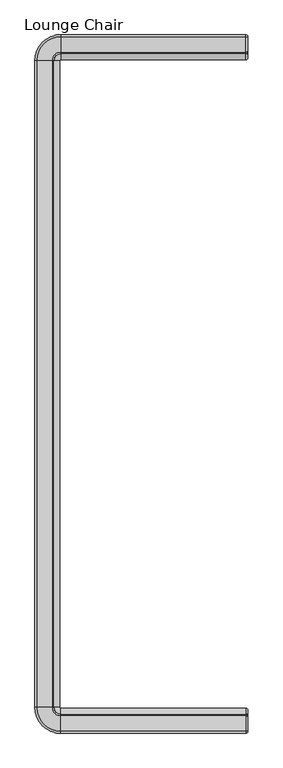
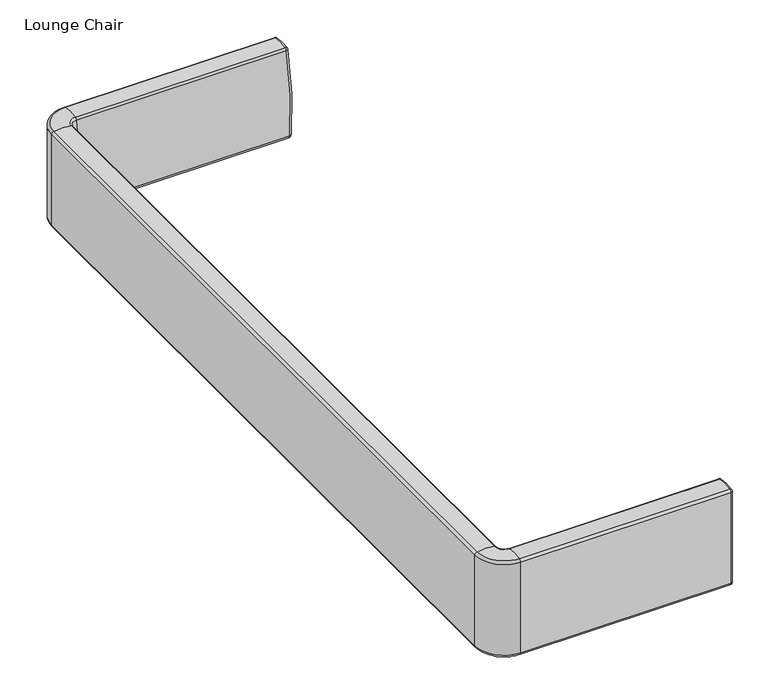
"""IFC4 building model written with IfcOpenShell, lengths in millimetres: furniture geometry, Lounge Chair."""

from ifc_helpers import new_model, si_unit, point, frame, origin, place, context, project, spatial, polyline, circle_curve, ellipse_curve, trimmed, source, transform, mapped, element, save
from ifc_brep_helpers import plane_surface, cylinder_surface, revolved_surface, advanced_brep


def lounge_chair_dd8477ff(model_context):
    return source(origin(), model_context, "Body", "AdvancedBrep", [
        advanced_brep(
        [(382.9050121, 1114.5232118, 679.4101744), (382.9050121, 1068.0842542, 679.4255901), (382.9050121, 1067.0973097, 678.4771601), (382.9050121, 1051.0062039, 435.9247564), (382.9050121, 1055.0515474, 429.151888), (382.9050121, 1079.435139, 420.1629446), (382.9050121, 1113.4735492, 405.9471174), (382.9050121, 1115.5445841, 406.9326341), (382.9050121, 1115.5445841, 678.1647491), (376.5550121, 1121.8945841, 678.1647491), (376.5550121, 1115.7663503, 685.6373011), (376.5550121, 1121.8945841, 406.9326341), (376.5550121, 1109.4683748, 401.019534), (376.5550121, 1078.7459989, 413.8504501), (376.5550121, 1051.4784521, 423.9025557), (376.5550121, 1044.6903074, 435.2675266), (376.5550121, 1060.9235834, 679.9629608), (376.5550121, 1066.8452503, 685.6535408), (376.5550121, -1060.9235834, 679.9629608), (376.5550121, -1044.6903074, 435.2675266), (-219.0746083, -1044.6903074, 435.2675266), (-219.0746083, -1060.9235834, 679.9629608), (376.5550121, -1051.4784521, 423.9025557), (376.5550121, -1078.7459989, 413.8504501), (-219.0746083, -1078.7459989, 413.8504501), (-219.0746083, -1051.4784521, 423.9025557), (376.5550121, -1121.8945841, 406.9326435), (376.5550121, -1121.8945841, 678.1647491), (-219.0746083, -1121.8945841, 678.1647491), (-219.0746083, -1121.8945841, 406.9326341), (-224.4203559, -1039.3445599, 435.2675266), (-240.6536319, -1039.3445599, 679.9629608), (-258.4760474, -1039.3445599, 413.8504501), (-231.2085006, -1039.3445599, 423.9025557), (-301.6246325, -1039.3445599, 678.1647491), (-301.6246325, -1039.3445599, 406.9326341), (-224.4203559, 1039.3445599, 435.2675266), (-240.6536319, 1039.3445599, 679.9629608), (-258.4760474, 1039.3445599, 413.8504501), (-231.2085006, 1039.3445599, 423.9025557), (-301.6246325, 1039.3445599, 678.1647491), (-301.6246325, 1039.3445599, 406.9326341), (-219.0746083, 1044.6903074, 435.2675266), (-219.0746083, 1060.9235834, 679.9629608), (-219.0746083, 1078.7459989, 413.8504501), (-219.0746083, 1051.4784521, 423.9025557), (-219.0746083, 1121.8945841, 678.1647491), (-219.0746083, 1121.8945841, 406.9326341), (376.5550121, -1109.4683748, 401.019534), (-219.0746083, -1109.4683748, 401.019534), (-289.1984232, -1039.3445599, 401.019534), (-289.1984232, 1039.3445599, 401.019534), (-219.0746083, 1109.4683748, 401.019534), (376.5550121, -1115.7663503, 685.6373011), (-219.0746083, -1115.7663503, 685.6373011), (376.5550121, -1066.8452503, 685.6535408), (-219.0746083, -1066.8452503, 685.6535408), (-295.4963987, -1039.3445599, 685.6373011), (-246.5752987, -1039.3445599, 685.6535408), (-295.4963987, 1039.3445599, 685.6373011), (-246.5752987, 1039.3445599, 685.6535408), (-219.0746083, 1115.7663503, 685.6373011), (-219.0746083, 1066.8452503, 685.6535408), (382.9050121, -1068.0842542, 679.4255901), (382.9050121, -1067.0973097, 678.4771601), (382.9050121, -1051.0062039, 435.9247564), (382.9050121, -1055.0515474, 429.151888), (382.9050121, -1079.435139, 420.1629446), (382.9050121, -1113.4735492, 405.9471174), (382.9050121, -1115.5445841, 406.9326341), (382.9050121, -1115.5445841, 678.1647491), (382.9050121, -1114.5232118, 679.4101744)],
        [
            (0, 1, circle_curve(frame((382.9050121, 1091.265056, 562.9054704), z_axis=(1.0, 0.0, 0.0), x_axis=(0.0, -0.1951187333087927, 0.9807796286179542)), 118.8035684)),
            (1, 2, circle_curve(frame((382.9050121, 1068.332055, 678.18), z_axis=(1.0, 0.0, 0.0), x_axis=(0.0, -0.9722403629031896, 0.23398435148931254)), 1.27)),
            (2, 3, circle_curve(frame((382.9050121, 1765.8518023, 510.3113207), z_axis=(1.0, 0.0, 0.0), x_axis=(0.0, -0.994629374658128, -0.10350075877587275)), 718.7054964)),
            (3, 4, circle_curve(frame((382.9050121, 1060.3214873, 436.8941013), z_axis=(1.0, 0.0, 0.0), x_axis=(0.0, -0.5626921702505863, -0.82666651168333)), 9.3655824)),
            (4, 5, circle_curve(frame((382.9050121, 1085.2617591, 473.5345393), z_axis=(1.0, 0.0, 0.0), x_axis=(0.0, -0.10852600235373884, -0.9940936106892129)), 53.6887011)),
            (5, 6, circle_curve(frame((382.9050121, 1072.3612575, 355.3664873), z_axis=(-1.0, 0.0, 0.0), x_axis=(0.0, 0.6307361277008335, 0.7759973822204285)), 65.1814443)),
            (6, 7, circle_curve(frame((382.9050121, 1114.2745841, 406.9326341), z_axis=(1.0, 0.0, 0.0), x_axis=(0.0, 1.0, 0.0)), 1.27)),
            (7, 8),
            (8, 0, circle_curve(frame((382.9050121, 1114.2745841, 678.1647491), z_axis=(1.0, 0.0, 0.0), x_axis=(0.0, 0.19576984179669715, 0.9806498707708557)), 1.27)),
            (8, 9, circle_curve(frame((376.5550121, 1115.5445841, 678.1647491), z_axis=(0.0, 0.0, 1.0), x_axis=(0.0, -1.0, 0.0)), 6.35)),
            (9, 10, circle_curve(frame((376.5550121, 1114.2745841, 678.1647491), z_axis=(1.0, 0.0, 0.0), x_axis=(0.0, 0.19576984179669715, 0.9806498707708557)), 7.62)),
            (10, 0, circle_curve(frame((376.5550121, 1114.5232118, 679.4101744), z_axis=(0.0, 0.9806498707708557, -0.19576984179669712), x_axis=(0.0, -0.19576984179669712, -0.9806498707708557)), 6.35)),
            (7, 11, circle_curve(frame((376.5550121, 1115.5445841, 406.9326341), z_axis=(0.0, 0.0, 1.0), x_axis=(0.0, -1.0, 0.0)), 6.35)),
            (11, 9),
            (6, 12, circle_curve(frame((376.5550121, 1113.4735492, 405.9471174), z_axis=(0.0, 0.7759973822204855, -0.6307361277007634), x_axis=(0.0, 0.6307361277007634, 0.7759973822204855)), 6.35)),
            (12, 11, circle_curve(frame((376.5550121, 1114.2745841, 406.9326341), z_axis=(1.0, 0.0, 0.0), x_axis=(0.0, 1.0, 0.0)), 7.62)),
            (5, 13, circle_curve(frame((376.5550121, 1079.435139, 420.1629446), z_axis=(0.0, 0.9940936106892134, -0.10852600235373477), x_axis=(0.0, 0.10852600235373477, 0.9940936106892134)), 6.35)),
            (13, 12, circle_curve(frame((376.5550121, 1072.3612575, 355.3664873), z_axis=(-1.0, 0.0, 0.0), x_axis=(0.0, 0.6307361277008335, 0.7759973822204285)), 58.8314443)),
            (4, 14, circle_curve(frame((376.5550121, 1055.0515474, 429.151888), z_axis=(0.0, 0.8266665116833314, -0.5626921702505843), x_axis=(0.0, 0.5626921702505843, 0.8266665116833314)), 6.35)),
            (14, 13, circle_curve(frame((376.5550121, 1085.2617591, 473.5345393), z_axis=(1.0, 0.0, 0.0), x_axis=(0.0, -0.10852600235373884, -0.9940936106892129)), 60.0387011)),
            (3, 15, circle_curve(frame((376.5550121, 1051.0062039, 435.9247564), z_axis=(0.0, 0.10350075877586651, -0.9946293746581286), x_axis=(0.0, 0.9946293746581286, 0.10350075877586651)), 6.35)),
            (15, 14, circle_curve(frame((376.5550121, 1060.3214873, 436.8941013), z_axis=(1.0, 0.0, 0.0), x_axis=(0.0, -0.5626921702505863, -0.82666651168333)), 15.7155824)),
            (2, 16, circle_curve(frame((376.5550121, 1067.0973097, 678.4771601), z_axis=(0.0, -0.23398435148929111, -0.9722403629031948), x_axis=(0.0, 0.9722403629031948, -0.23398435148929111)), 6.35)),
            (16, 15, circle_curve(frame((376.5550121, 1765.8518023, 510.3113207), z_axis=(1.0, 0.0, 0.0), x_axis=(0.0, -0.994629374658128, -0.10350075877587275)), 725.0554964)),
            (1, 17, circle_curve(frame((376.5550121, 1068.0842542, 679.4255901), z_axis=(0.0, -0.9807796286179522, -0.19511873330880303), x_axis=(0.0, 0.19511873330880303, -0.9807796286179522)), 6.35)),
            (17, 16, circle_curve(frame((376.5550121, 1068.332055, 678.18), z_axis=(1.0, 0.0, 0.0), x_axis=(0.0, -0.9722403629031896, 0.23398435148931254)), 7.62)),
            (10, 17, circle_curve(frame((376.5550121, 1091.265056, 562.9054704), z_axis=(1.0, 0.0, 0.0), x_axis=(0.0, -0.1951187333087927, 0.9807796286179542)), 125.1535684)),
            (18, 19, circle_curve(frame((376.5550121, -1765.8518023, 510.3113207), z_axis=(-1.0, 0.0, 0.0), x_axis=(0.0, 1.0, 0.0)), 725.0554964)),
            (19, 20),
            (20, 21, circle_curve(frame((-219.0746083, -1765.8518023, 510.3113207), z_axis=(1.0, 0.0, 0.0), x_axis=(0.0, 1.0, 0.0)), 725.0554964)),
            (21, 18),
            (22, 23, circle_curve(frame((376.5550121, -1085.2617591, 473.5345393), z_axis=(-1.0, 0.0, 0.0), x_axis=(0.0, 1.0, 0.0)), 60.0387011)),
            (23, 24),
            (24, 25, circle_curve(frame((-219.0746083, -1085.2617591, 473.5345393), z_axis=(1.0, 0.0, 0.0), x_axis=(0.0, 1.0, 0.0)), 60.0387011)),
            (25, 22),
            (26, 27),
            (27, 28),
            (28, 29),
            (29, 26),
            (20, 30, circle_curve(frame((-219.0746083, -1039.3445599, 435.2675266), z_axis=(0.0, 0.0, -1.0), x_axis=(0.0, -1.0, 0.0)), 5.3457475)),
            (30, 31, circle_curve(frame((-945.5818508, -1039.3445599, 510.3113207), z_axis=(0.0, -1.0, 0.0), x_axis=(1.0, 0.0, 0.0)), 725.0554964)),
            (31, 21, circle_curve(frame((-219.0746083, -1039.3445599, 679.9629608), z_axis=(0.0, 0.0, 1.0), x_axis=(0.0, -1.0, 0.0)), 21.5790236)),
            (24, 32, circle_curve(frame((-219.0746083, -1039.3445599, 413.8504501), z_axis=(0.0, 0.0, -1.0), x_axis=(0.0, -1.0, 0.0)), 39.401439)),
            (32, 33, circle_curve(frame((-264.9918076, -1039.3445599, 473.5345393), z_axis=(0.0, -1.0, 0.0), x_axis=(1.0, 0.0, 0.0)), 60.0387011)),
            (33, 25, circle_curve(frame((-219.0746083, -1039.3445599, 423.9025557), z_axis=(0.0, 0.0, 1.0), x_axis=(0.0, -1.0, 0.0)), 12.1338922)),
            (28, 34, circle_curve(frame((-219.0746083, -1039.3445599, 678.1647491), z_axis=(0.0, 0.0, -1.0), x_axis=(0.0, -1.0, 0.0)), 82.5500242)),
            (34, 35),
            (35, 29, circle_curve(frame((-219.0746083, -1039.3445599, 406.9326341), z_axis=(0.0, 0.0, 1.0), x_axis=(0.0, -1.0, 0.0)), 82.5500242)),
            (30, 36),
            (36, 37, circle_curve(frame((-945.5818508, 1039.3445599, 510.3113207), z_axis=(0.0, -1.0, 0.0), x_axis=(1.0, 0.0, 0.0)), 725.0554964)),
            (37, 31),
            (32, 38),
            (38, 39, circle_curve(frame((-264.9918076, 1039.3445599, 473.5345393), z_axis=(0.0, -1.0, 0.0), x_axis=(1.0, 0.0, 0.0)), 60.0387011)),
            (39, 33),
            (34, 40),
            (40, 41),
            (41, 35),
            (36, 42, circle_curve(frame((-219.0746083, 1039.3445599, 435.2675266), z_axis=(0.0, 0.0, -1.0), x_axis=(-1.0, 0.0, 0.0)), 5.3457475)),
            (42, 43, circle_curve(frame((-219.0746083, 1765.8518023, 510.3113207), z_axis=(-1.0, 0.0, 0.0), x_axis=(0.0, -1.0, 0.0)), 725.0554964)),
            (43, 37, circle_curve(frame((-219.0746083, 1039.3445599, 679.9629608), z_axis=(0.0, 0.0, 1.0), x_axis=(-1.0, 0.0, 0.0)), 21.5790236)),
            (38, 44, circle_curve(frame((-219.0746083, 1039.3445599, 413.8504501), z_axis=(0.0, 0.0, -1.0), x_axis=(-1.0, 0.0, 0.0)), 39.401439)),
            (44, 45, circle_curve(frame((-219.0746083, 1085.2617591, 473.5345393), z_axis=(-1.0, 0.0, 0.0), x_axis=(0.0, -1.0, 0.0)), 60.0387011)),
            (45, 39, circle_curve(frame((-219.0746083, 1039.3445599, 423.9025557), z_axis=(0.0, 0.0, 1.0), x_axis=(-1.0, 0.0, 0.0)), 12.1338922)),
            (40, 46, circle_curve(frame((-219.0746083, 1039.3445599, 678.1647491), z_axis=(0.0, 0.0, -1.0), x_axis=(-1.0, 0.0, 0.0)), 82.5500242)),
            (46, 47),
            (47, 41, circle_curve(frame((-219.0746083, 1039.3445599, 406.9326341), z_axis=(0.0, 0.0, 1.0), x_axis=(-1.0, 0.0, 0.0)), 82.5500242)),
            (42, 15),
            (16, 43),
            (44, 13),
            (14, 45),
            (46, 9),
            (11, 47),
            (19, 22, circle_curve(frame((376.5550121, -1060.3214873, 436.8941013), z_axis=(-1.0, 0.0, 0.0), x_axis=(0.0, 1.0, 0.0)), 15.7155824)),
            (25, 20, circle_curve(frame((-219.0746083, -1060.3214873, 436.8941013), z_axis=(1.0, 0.0, 0.0), x_axis=(0.0, 1.0, 0.0)), 15.7155824)),
            (33, 30, circle_curve(frame((-240.0515357, -1039.3445599, 436.8941013), z_axis=(0.0, -1.0, 0.0), x_axis=(1.0, 0.0, 0.0)), 15.7155824)),
            (39, 36, circle_curve(frame((-240.0515357, 1039.3445599, 436.8941013), z_axis=(0.0, -1.0, 0.0), x_axis=(1.0, 0.0, 0.0)), 15.7155824)),
            (45, 42, circle_curve(frame((-219.0746083, 1060.3214873, 436.8941013), z_axis=(-1.0, 0.0, 0.0), x_axis=(0.0, -1.0, 0.0)), 15.7155824)),
            (23, 48, circle_curve(frame((376.5550121, -1072.3612575, 355.3664873), z_axis=(1.0, 0.0, 0.0), x_axis=(0.0, 1.0, 0.0)), 58.8314443)),
            (48, 49),
            (49, 24, circle_curve(frame((-219.0746083, -1072.3612575, 355.3664873), z_axis=(-1.0, 0.0, 0.0), x_axis=(0.0, 1.0, 0.0)), 58.8314443)),
            (49, 50, circle_curve(frame((-219.0746083, -1039.3445599, 401.019534), z_axis=(0.0, 0.0, -1.0), x_axis=(0.0, -1.0, 0.0)), 70.1238149)),
            (50, 32, circle_curve(frame((-252.0913059, -1039.3445599, 355.3664873), z_axis=(0.0, 1.0, 0.0), x_axis=(1.0, 0.0, 0.0)), 58.8314443)),
            (50, 51),
            (51, 38, circle_curve(frame((-252.0913059, 1039.3445599, 355.3664873), z_axis=(0.0, 1.0, 0.0), x_axis=(1.0, 0.0, 0.0)), 58.8314443)),
            (51, 52, circle_curve(frame((-219.0746083, 1039.3445599, 401.019534), z_axis=(0.0, 0.0, -1.0), x_axis=(-1.0, 0.0, 0.0)), 70.1238149)),
            (52, 44, circle_curve(frame((-219.0746083, 1072.3612575, 355.3664873), z_axis=(1.0, 0.0, 0.0), x_axis=(0.0, -1.0, 0.0)), 58.8314443)),
            (52, 12),
            (29, 49, circle_curve(frame((-219.0746083, -1114.2745841, 406.9326341), z_axis=(1.0, 0.0, 0.0), x_axis=(0.0, 1.0, 0.0)), 7.62)),
            (48, 26, circle_curve(frame((376.5550121, -1114.2745841, 406.9326341), z_axis=(-1.0, 0.0, 0.0), x_axis=(0.0, 1.0, 0.0)), 7.62)),
            (35, 50, circle_curve(frame((-294.0046325, -1039.3445599, 406.9326341), z_axis=(0.0, -1.0, 0.0), x_axis=(1.0, 0.0, 0.0)), 7.62)),
            (41, 51, circle_curve(frame((-294.0046325, 1039.3445599, 406.9326341), z_axis=(0.0, -1.0, 0.0), x_axis=(1.0, 0.0, 0.0)), 7.62)),
            (47, 52, circle_curve(frame((-219.0746083, 1114.2745841, 406.9326341), z_axis=(-1.0, 0.0, 0.0), x_axis=(0.0, -1.0, 0.0)), 7.62)),
            (27, 53, circle_curve(frame((376.5550121, -1114.2745841, 678.1647491), z_axis=(-1.0, 0.0, 0.0), x_axis=(0.0, 1.0, 0.0)), 7.62)),
            (53, 54),
            (54, 28, circle_curve(frame((-219.0746083, -1114.2745841, 678.1647491), z_axis=(1.0, 0.0, 0.0), x_axis=(0.0, 1.0, 0.0)), 7.62)),
            (53, 55, circle_curve(frame((376.5550121, -1091.265056, 562.9054704), z_axis=(-1.0, 0.0, 0.0), x_axis=(0.0, 1.0, 0.0)), 125.1535684)),
            (55, 56),
            (56, 54, circle_curve(frame((-219.0746083, -1091.265056, 562.9054704), z_axis=(1.0, 0.0, 0.0), x_axis=(0.0, 1.0, 0.0)), 125.1535684)),
            (21, 56, circle_curve(frame((-219.0746083, -1068.332055, 678.18), z_axis=(1.0, 0.0, 0.0), x_axis=(0.0, 1.0, 0.0)), 7.62)),
            (55, 18, circle_curve(frame((376.5550121, -1068.332055, 678.18), z_axis=(-1.0, 0.0, 0.0), x_axis=(0.0, 1.0, 0.0)), 7.62)),
            (54, 57, circle_curve(frame((-219.0746083, -1039.3445599, 685.6373011), z_axis=(0.0, 0.0, -1.0), x_axis=(0.0, -1.0, 0.0)), 76.4217904)),
            (57, 34, circle_curve(frame((-294.0046325, -1039.3445599, 678.1647491), z_axis=(0.0, -1.0, 0.0), x_axis=(1.0, 0.0, 0.0)), 7.62)),
            (56, 58, circle_curve(frame((-219.0746083, -1039.3445599, 685.6535408), z_axis=(0.0, 0.0, -1.0), x_axis=(0.0, -1.0, 0.0)), 27.5006904)),
            (58, 57, circle_curve(frame((-270.9951044, -1039.3445599, 562.9054704), z_axis=(0.0, -1.0, 0.0), x_axis=(1.0, 0.0, 0.0)), 125.1535684)),
            (31, 58, circle_curve(frame((-248.0621034, -1039.3445599, 678.18), z_axis=(0.0, -1.0, 0.0), x_axis=(1.0, 0.0, 0.0)), 7.62)),
            (57, 59),
            (59, 40, circle_curve(frame((-294.0046325, 1039.3445599, 678.1647491), z_axis=(0.0, -1.0, 0.0), x_axis=(1.0, 0.0, 0.0)), 7.62)),
            (58, 60),
            (60, 59, circle_curve(frame((-270.9951044, 1039.3445599, 562.9054704), z_axis=(0.0, -1.0, 0.0), x_axis=(1.0, 0.0, 0.0)), 125.1535684)),
            (37, 60, circle_curve(frame((-248.0621034, 1039.3445599, 678.18), z_axis=(0.0, -1.0, 0.0), x_axis=(1.0, 0.0, 0.0)), 7.62)),
            (59, 61, circle_curve(frame((-219.0746083, 1039.3445599, 685.6373011), z_axis=(0.0, 0.0, -1.0), x_axis=(-1.0, 0.0, 0.0)), 76.4217904)),
            (61, 46, circle_curve(frame((-219.0746083, 1114.2745841, 678.1647491), z_axis=(-1.0, 0.0, 0.0), x_axis=(0.0, -1.0, 0.0)), 7.62)),
            (60, 62, circle_curve(frame((-219.0746083, 1039.3445599, 685.6535408), z_axis=(0.0, 0.0, -1.0), x_axis=(-1.0, 0.0, 0.0)), 27.5006904)),
            (62, 61, circle_curve(frame((-219.0746083, 1091.265056, 562.9054704), z_axis=(-1.0, 0.0, 0.0), x_axis=(0.0, -1.0, 0.0)), 125.1535684)),
            (43, 62, circle_curve(frame((-219.0746083, 1068.332055, 678.18), z_axis=(-1.0, 0.0, 0.0), x_axis=(0.0, -1.0, 0.0)), 7.62)),
            (61, 10),
            (62, 17),
            (63, 64, circle_curve(frame((382.9050121, -1068.332055, 678.18), z_axis=(-1.0, 0.0, 0.0), x_axis=(0.0, 0.19511873330878338, 0.9807796286179561)), 1.27)),
            (64, 18, circle_curve(frame((376.5550121, -1067.0973097, 678.4771601), z_axis=(0.0, -0.23398435148943497, 0.9722403629031602), x_axis=(0.0, -0.9722403629031602, -0.23398435148943497)), 6.35)),
            (55, 63, circle_curve(frame((376.5550121, -1068.0842542, 679.4255901), z_axis=(0.0, 0.980779628617956, -0.19511873330878385), x_axis=(0.0, -0.19511873330878385, -0.980779628617956)), 6.35)),
            (64, 65, circle_curve(frame((382.9050121, -1765.8518023, 510.3113207), z_axis=(-1.0, 0.0, 0.0), x_axis=(0.0, 0.9722403629031947, 0.23398435148929123)), 718.7054964)),
            (65, 19, circle_curve(frame((376.5550121, -1051.0062039, 435.9247564), z_axis=(0.0, 0.10350075877586914, 0.9946293746581282), x_axis=(0.0, -0.9946293746581282, 0.10350075877586914)), 6.35)),
            (65, 66, circle_curve(frame((382.9050121, -1060.3214873, 436.8941013), z_axis=(-1.0, 0.0, 0.0), x_axis=(0.0, 0.9946293746581639, -0.10350075877552664)), 9.3655824)),
            (66, 22, circle_curve(frame((376.5550121, -1055.0515474, 429.151888), z_axis=(0.0, 0.8266665116833322, 0.5626921702505832), x_axis=(0.0, -0.5626921702505832, 0.8266665116833322)), 6.35)),
            (66, 67, circle_curve(frame((382.9050121, -1085.2617591, 473.5345393), z_axis=(-1.0, 0.0, 0.0), x_axis=(0.0, 0.5626921702505868, -0.8266665116833296)), 53.6887011)),
            (67, 23, circle_curve(frame((376.5550121, -1079.435139, 420.1629446), z_axis=(0.0, 0.9940936106892128, 0.1085260023537396), x_axis=(0.0, -0.1085260023537396, 0.9940936106892128)), 6.35)),
            (67, 68, circle_curve(frame((382.9050121, -1072.3612575, 355.3664873), z_axis=(1.0, 0.0, 0.0), x_axis=(0.0, -0.10852600235373923, 0.9940936106892128)), 65.1814443)),
            (68, 48, circle_curve(frame((376.5550121, -1113.4735492, 405.9471174), z_axis=(0.0, 0.775997382220429, 0.6307361277008328), x_axis=(0.0, -0.6307361277008328, 0.775997382220429)), 6.35)),
            (68, 69, circle_curve(frame((382.9050121, -1114.2745841, 406.9326341), z_axis=(-1.0, 0.0, 0.0), x_axis=(0.0, 0.6307361277008319, -0.7759973822204298)), 1.27)),
            (69, 26, circle_curve(frame((376.5550121, -1115.5445841, 406.9326341), z_axis=(0.0, 0.0, -0.9999999999999999), x_axis=(0.0, 0.9999999999999999, 0.0)), 6.35)),
            (69, 70),
            (70, 27, circle_curve(frame((376.5550121, -1115.5445841, 678.1647491), z_axis=(0.0, 0.0, -1.0), x_axis=(0.0, 1.0, 0.0)), 6.35)),
            (70, 71, circle_curve(frame((382.9050121, -1114.2745841, 678.1647491), z_axis=(-1.0, 0.0, 0.0), x_axis=(0.0, -1.0, 0.0)), 1.27)),
            (71, 53, circle_curve(frame((376.5550121, -1114.5232118, 679.4101744), z_axis=(0.0, -0.9806498707708471, -0.19576984179674073), x_axis=(0.0, 0.19576984179674073, -0.9806498707708471)), 6.35)),
            (71, 63, circle_curve(frame((382.9050121, -1091.265056, 562.9054704), z_axis=(-1.0, 0.0, 0.0), x_axis=(0.0, -0.19576984179670068, 0.9806498707708551)), 118.8035684)),
        ],
        [
            plane_surface(frame((382.9050121, 1114.2745841, 408.2026341), z_axis=(1.0, 0.0, 0.0), x_axis=(0.0, 1.0, 0.0))),
            revolved_surface(trimmed(ellipse_curve(frame((376.5550121, 1114.5232118, 679.4101744), z_axis=(0.0, 0.9806498707708557, -0.19576984179669712), x_axis=(0.0, -0.19576984179669712, -0.9806498707708557)), 6.35, 6.35), [point((376.5550121, 1115.7663503, 685.6373011))], [point((382.9050121, 1114.5232118, 679.4101744))], True, "CARTESIAN"), (376.5550121, 1114.2745841, 678.1647491), (1.0, 0.0, 0.0)),
            cylinder_surface(frame((376.5550121, 1115.5445841, 678.1647491), z_axis=(0.0, 0.0, 1.0), x_axis=(0.0, -1.0, 0.0)), 6.35),
            revolved_surface(trimmed(ellipse_curve(frame((376.5550121, 1115.5445841, 406.9326341), z_axis=(0.0, 0.0, -1.0), x_axis=(0.0, -1.0, 0.0)), 6.35, 6.35), [point((376.5550121, 1121.8945841, 406.9326341))], [point((382.9050121, 1115.5445841, 406.9326341))], True, "CARTESIAN"), (376.5550121, 1114.2745841, 406.9326341), (1.0, 0.0, 0.0)),
            revolved_surface(trimmed(ellipse_curve(frame((376.5550121, 1113.4735492, 405.9471174), z_axis=(0.0, -0.7759973822204286, 0.6307361277008333), x_axis=(0.0, 0.6307361277008333, 0.7759973822204286)), 6.35, 6.35), [point((376.5550121, 1109.4683748, 401.019534))], [point((382.9050121, 1113.4735492, 405.9471174))], True, "CARTESIAN"), (376.5550121, 1072.3612575, 355.3664873), (-1.0, 0.0, 0.0)),
            revolved_surface(trimmed(ellipse_curve(frame((376.5550121, 1079.435139, 420.1629446), z_axis=(0.0, -0.9940936106892129, 0.10852600235373863), x_axis=(0.0, 0.10852600235373863, 0.9940936106892129)), 6.35, 6.35), [point((376.5550121, 1078.7459989, 413.8504501))], [point((382.9050121, 1079.435139, 420.1629446))], True, "CARTESIAN"), (376.5550121, 1085.2617591, 473.5345393), (1.0, 0.0, 0.0)),
            revolved_surface(trimmed(ellipse_curve(frame((376.5550121, 1055.0515474, 429.151888), z_axis=(0.0, -0.8266665116833302, 0.562692170250586), x_axis=(0.0, 0.562692170250586, 0.8266665116833302)), 6.35, 6.35), [point((376.5550121, 1051.4784521, 423.9025557))], [point((382.9050121, 1055.0515474, 429.151888))], True, "CARTESIAN"), (376.5550121, 1060.3214873, 436.8941013), (1.0, 0.0, 0.0)),
            revolved_surface(trimmed(ellipse_curve(frame((376.5550121, 1051.0062039, 435.9247564), z_axis=(0.0, -0.1035007587758729, 0.994629374658128), x_axis=(0.0, 0.994629374658128, 0.1035007587758729)), 6.35, 6.35), [point((376.5550121, 1044.6903074, 435.2675266))], [point((382.9050121, 1051.0062039, 435.9247564))], True, "CARTESIAN"), (376.5550121, 1765.8518023, 510.3113207), (1.0, 0.0, 0.0)),
            revolved_surface(trimmed(ellipse_curve(frame((376.5550121, 1067.0973097, 678.4771601), z_axis=(0.0, 0.23398435148931235, 0.9722403629031896), x_axis=(0.0, 0.9722403629031896, -0.23398435148931235)), 6.35, 6.35), [point((376.5550121, 1060.9235834, 679.9629608))], [point((382.9050121, 1067.0973097, 678.4771601))], True, "CARTESIAN"), (376.5550121, 1068.332055, 678.18), (1.0, 0.0, 0.0)),
            revolved_surface(trimmed(ellipse_curve(frame((376.5550121, 1068.0842542, 679.4255901), z_axis=(0.0, 0.9807796286179542, 0.1951187333087929), x_axis=(0.0, 0.1951187333087929, -0.9807796286179542)), 6.35, 6.35), [point((376.5550121, 1066.8452503, 685.6535408))], [point((382.9050121, 1068.0842542, 679.4255901))], True, "CARTESIAN"), (376.5550121, 1091.265056, 562.9054704), (1.0, 0.0, 0.0)),
            cylinder_surface(frame((376.5550121, -1765.8518023, 510.3113207), z_axis=(1.0, 0.0, 0.0), x_axis=(0.0, 1.0, 0.0)), 725.0554964),
            cylinder_surface(frame((376.5550121, -1085.2617591, 473.5345393), z_axis=(1.0, 0.0, 0.0), x_axis=(0.0, 1.0, 0.0)), 60.0387011),
            plane_surface(frame((376.5550121, -1121.8945841, 406.9326341), z_axis=(0.0, -1.0, 0.0), x_axis=(-1.0, 0.0, 0.0))),
            revolved_surface(trimmed(ellipse_curve(frame((-219.0746083, -1765.8518023, 510.3113207), z_axis=(-1.0, 0.0, 0.0), x_axis=(0.0, 1.0, 0.0)), 725.0554964, 725.0554964), [point((-219.0746083, -1060.9235834, 679.9629608))], [point((-219.0746083, -1044.6903074, 435.2675266))], True, "CARTESIAN"), (-219.0746083, -1039.3445599, 149.8035673), (0.0, 0.0, 1.0)),
            revolved_surface(trimmed(ellipse_curve(frame((-219.0746083, -1085.2617591, 473.5345393), z_axis=(-1.0, 0.0, 0.0), x_axis=(0.0, 1.0, 0.0)), 60.0387011, 60.0387011), [point((-219.0746083, -1051.4784521, 423.9025557))], [point((-219.0746083, -1078.7459989, 413.8504501))], True, "CARTESIAN"), (-219.0746083, -1039.3445599, 149.8035673), (0.0, 0.0, 1.0)),
            cylinder_surface(frame((-219.0746083, -1039.3445599, 149.8035673), z_axis=(0.0, 0.0, 1.0), x_axis=(0.0, -1.0, 0.0)), 82.5500242),
            cylinder_surface(frame((-945.5818508, -1039.3445599, 510.3113207), z_axis=(0.0, -1.0, 0.0), x_axis=(1.0, 0.0, 0.0)), 725.0554964),
            cylinder_surface(frame((-264.9918076, -1039.3445599, 473.5345393), z_axis=(0.0, -1.0, 0.0), x_axis=(1.0, 0.0, 0.0)), 60.0387011),
            plane_surface(frame((-301.6246325, -1039.3445599, 406.9326341), z_axis=(-1.0, 0.0, 0.0), x_axis=(0.0, 1.0, 0.0))),
            revolved_surface(trimmed(ellipse_curve(frame((-945.5818508, 1039.3445599, 510.3113207), z_axis=(0.0, 1.0, 0.0), x_axis=(1.0, 0.0, 0.0)), 725.0554964, 725.0554964), [point((-240.6536319, 1039.3445599, 679.9629608))], [point((-224.4203559, 1039.3445599, 435.2675266))], True, "CARTESIAN"), (-219.0746083, 1039.3445599, 149.8035673), (0.0, 0.0, 1.0)),
            revolved_surface(trimmed(ellipse_curve(frame((-264.9918076, 1039.3445599, 473.5345393), z_axis=(0.0, 1.0, 0.0), x_axis=(1.0, 0.0, 0.0)), 60.0387011, 60.0387011), [point((-231.2085006, 1039.3445599, 423.9025557))], [point((-258.4760474, 1039.3445599, 413.8504501))], True, "CARTESIAN"), (-219.0746083, 1039.3445599, 149.8035673), (0.0, 0.0, 1.0)),
            cylinder_surface(frame((-219.0746083, 1039.3445599, 149.8035673), z_axis=(0.0, 0.0, 1.0), x_axis=(-1.0, 0.0, 0.0)), 82.5500242),
            cylinder_surface(frame((-219.0746083, 1765.8518023, 510.3113207), z_axis=(-1.0, 0.0, 0.0), x_axis=(0.0, -1.0, 0.0)), 725.0554964),
            cylinder_surface(frame((-219.0746083, 1085.2617591, 473.5345393), z_axis=(-1.0, 0.0, 0.0), x_axis=(0.0, -1.0, 0.0)), 60.0387011),
            plane_surface(frame((-219.0746083, 1121.8945841, 406.9326341), z_axis=(0.0, 1.0, 0.0), x_axis=(1.0, 0.0, 0.0))),
            cylinder_surface(frame((376.5550121, -1060.3214873, 436.8941013), z_axis=(1.0, 0.0, 0.0), x_axis=(0.0, 1.0, 0.0)), 15.7155824),
            revolved_surface(trimmed(ellipse_curve(frame((-219.0746083, -1060.3214873, 436.8941013), z_axis=(-1.0, 0.0, 0.0), x_axis=(0.0, 1.0, 0.0)), 15.7155824, 15.7155824), [point((-219.0746083, -1044.6903074, 435.2675266))], [point((-219.0746083, -1051.4784521, 423.9025557))], True, "CARTESIAN"), (-219.0746083, -1039.3445599, 149.8035673), (0.0, 0.0, 1.0)),
            cylinder_surface(frame((-240.0515357, -1039.3445599, 436.8941013), z_axis=(0.0, -1.0, 0.0), x_axis=(1.0, 0.0, 0.0)), 15.7155824),
            revolved_surface(trimmed(ellipse_curve(frame((-240.0515357, 1039.3445599, 436.8941013), z_axis=(0.0, 1.0, 0.0), x_axis=(1.0, 0.0, 0.0)), 15.7155824, 15.7155824), [point((-224.4203559, 1039.3445599, 435.2675266))], [point((-231.2085006, 1039.3445599, 423.9025557))], True, "CARTESIAN"), (-219.0746083, 1039.3445599, 149.8035673), (0.0, 0.0, 1.0)),
            cylinder_surface(frame((-219.0746083, 1060.3214873, 436.8941013), z_axis=(-1.0, 0.0, 0.0), x_axis=(0.0, -1.0, 0.0)), 15.7155824),
            revolved_surface(polyline([(-219.07460830000002, -1013.5298131999999, 355.3664873), (376.5550121, -1013.5298131999999, 355.3664873)]), (376.5550121, -1072.3612575, 355.3664873), (-1.0, 0.0, 0.0)),
            revolved_surface(trimmed(ellipse_curve(frame((-219.0746083, -1072.3612575, 355.3664873), z_axis=(1.0, 0.0, 0.0), x_axis=(0.0, 1.0, 0.0)), 58.8314443, 58.8314443), [point((-219.0746083, -1078.7459989, 413.8504501))], [point((-219.0746083, -1109.4683748, 401.019534))], True, "CARTESIAN"), (-219.0746083, -1039.3445599, 149.8035673), (0.0, 0.0, 1.0)),
            revolved_surface(polyline([(-193.25986160000002, 1039.3445599, 355.3664873), (-193.25986160000002, -1039.3445599, 355.3664873)]), (-252.0913059, -1039.3445599, 355.3664873), (0.0, 1.0, 0.0)),
            revolved_surface(trimmed(ellipse_curve(frame((-252.0913059, 1039.3445599, 355.3664873), z_axis=(0.0, -1.0, 0.0), x_axis=(1.0, 0.0, 0.0)), 58.8314443, 58.8314443), [point((-258.4760474, 1039.3445599, 413.8504501))], [point((-289.1984232, 1039.3445599, 401.019534))], True, "CARTESIAN"), (-219.0746083, 1039.3445599, 149.8035673), (0.0, 0.0, 1.0)),
            revolved_surface(polyline([(376.5550121, 1013.5298131999999, 355.3664873), (-219.0746083, 1013.5298131999999, 355.3664873)]), (-219.0746083, 1072.3612575, 355.3664873), (1.0, 0.0, 0.0)),
            cylinder_surface(frame((376.5550121, -1114.2745841, 406.9326341), z_axis=(1.0, 0.0, 0.0), x_axis=(0.0, 1.0, 0.0)), 7.62),
            revolved_surface(trimmed(ellipse_curve(frame((-219.0746083, -1114.2745841, 406.9326341), z_axis=(-1.0, 0.0, 0.0), x_axis=(0.0, 1.0, 0.0)), 7.62, 7.62), [point((-219.0746083, -1109.4683748, 401.019534))], [point((-219.0746083, -1121.8945841, 406.9326341))], True, "CARTESIAN"), (-219.0746083, -1039.3445599, 149.8035673), (0.0, 0.0, 1.0)),
            cylinder_surface(frame((-294.0046325, -1039.3445599, 406.9326341), z_axis=(0.0, -1.0, 0.0), x_axis=(1.0, 0.0, 0.0)), 7.62),
            revolved_surface(trimmed(ellipse_curve(frame((-294.0046325, 1039.3445599, 406.9326341), z_axis=(0.0, 1.0, 0.0), x_axis=(1.0, 0.0, 0.0)), 7.62, 7.62), [point((-289.1984232, 1039.3445599, 401.019534))], [point((-301.6246325, 1039.3445599, 406.9326341))], True, "CARTESIAN"), (-219.0746083, 1039.3445599, 149.8035673), (0.0, 0.0, 1.0)),
            cylinder_surface(frame((-219.0746083, 1114.2745841, 406.9326341), z_axis=(-1.0, 0.0, 0.0), x_axis=(0.0, -1.0, 0.0)), 7.62),
            cylinder_surface(frame((376.5550121, -1114.2745841, 678.1647491), z_axis=(1.0, 0.0, 0.0), x_axis=(0.0, 1.0, 0.0)), 7.62),
            cylinder_surface(frame((376.5550121, -1091.265056, 562.9054704), z_axis=(1.0, 0.0, 0.0), x_axis=(0.0, 1.0, 0.0)), 125.1535684),
            cylinder_surface(frame((376.5550121, -1068.332055, 678.18), z_axis=(1.0, 0.0, 0.0), x_axis=(0.0, 1.0, 0.0)), 7.62),
            revolved_surface(trimmed(ellipse_curve(frame((-219.0746083, -1114.2745841, 678.1647491), z_axis=(-1.0, 0.0, 0.0), x_axis=(0.0, 1.0, 0.0)), 7.62, 7.62), [point((-219.0746083, -1121.8945841, 678.1647491))], [point((-219.0746083, -1115.7663503, 685.6373011))], True, "CARTESIAN"), (-219.0746083, -1039.3445599, 149.8035673), (0.0, 0.0, 1.0)),
            revolved_surface(trimmed(ellipse_curve(frame((-219.0746083, -1091.265056, 562.9054704), z_axis=(-1.0, 0.0, 0.0), x_axis=(0.0, 1.0, 0.0)), 125.1535684, 125.1535684), [point((-219.0746083, -1115.7663503, 685.6373011))], [point((-219.0746083, -1066.8452503, 685.6535408))], True, "CARTESIAN"), (-219.0746083, -1039.3445599, 149.8035673), (0.0, 0.0, 1.0)),
            revolved_surface(trimmed(ellipse_curve(frame((-219.0746083, -1068.332055, 678.18), z_axis=(-1.0, 0.0, 0.0), x_axis=(0.0, 1.0, 0.0)), 7.62, 7.62), [point((-219.0746083, -1066.8452503, 685.6535408))], [point((-219.0746083, -1060.9235834, 679.9629608))], True, "CARTESIAN"), (-219.0746083, -1039.3445599, 149.8035673), (0.0, 0.0, 1.0)),
            cylinder_surface(frame((-294.0046325, -1039.3445599, 678.1647491), z_axis=(0.0, -1.0, 0.0), x_axis=(1.0, 0.0, 0.0)), 7.62),
            cylinder_surface(frame((-270.9951044, -1039.3445599, 562.9054704), z_axis=(0.0, -1.0, 0.0), x_axis=(1.0, 0.0, 0.0)), 125.1535684),
            cylinder_surface(frame((-248.0621034, -1039.3445599, 678.18), z_axis=(0.0, -1.0, 0.0), x_axis=(1.0, 0.0, 0.0)), 7.62),
            revolved_surface(trimmed(ellipse_curve(frame((-294.0046325, 1039.3445599, 678.1647491), z_axis=(0.0, 1.0, 0.0), x_axis=(1.0, 0.0, 0.0)), 7.62, 7.62), [point((-301.6246325, 1039.3445599, 678.1647491))], [point((-295.4963987, 1039.3445599, 685.6373011))], True, "CARTESIAN"), (-219.0746083, 1039.3445599, 149.8035673), (0.0, 0.0, 1.0)),
            revolved_surface(trimmed(ellipse_curve(frame((-270.9951044, 1039.3445599, 562.9054704), z_axis=(0.0, 1.0, 0.0), x_axis=(1.0, 0.0, 0.0)), 125.1535684, 125.1535684), [point((-295.4963987, 1039.3445599, 685.6373011))], [point((-246.5752987, 1039.3445599, 685.6535408))], True, "CARTESIAN"), (-219.0746083, 1039.3445599, 149.8035673), (0.0, 0.0, 1.0)),
            revolved_surface(trimmed(ellipse_curve(frame((-248.0621034, 1039.3445599, 678.18), z_axis=(0.0, 1.0, 0.0), x_axis=(1.0, 0.0, 0.0)), 7.62, 7.62), [point((-246.5752987, 1039.3445599, 685.6535408))], [point((-240.6536319, 1039.3445599, 679.9629608))], True, "CARTESIAN"), (-219.0746083, 1039.3445599, 149.8035673), (0.0, 0.0, 1.0)),
            cylinder_surface(frame((-219.0746083, 1114.2745841, 678.1647491), z_axis=(-1.0, 0.0, 0.0), x_axis=(0.0, -1.0, 0.0)), 7.62),
            cylinder_surface(frame((-219.0746083, 1091.265056, 562.9054704), z_axis=(-1.0, 0.0, 0.0), x_axis=(0.0, -1.0, 0.0)), 125.1535684),
            cylinder_surface(frame((-219.0746083, 1068.332055, 678.18), z_axis=(-1.0, 0.0, 0.0), x_axis=(0.0, -1.0, 0.0)), 7.62),
            revolved_surface(trimmed(ellipse_curve(frame((376.5550121, -1068.0842542, 679.4255901), z_axis=(0.0, 0.980779628617956, -0.19511873330878385), x_axis=(0.0, -0.19511873330878385, -0.980779628617956)), 6.35, 6.35), [point((376.5550121, -1066.8452503, 685.6535408))], [point((382.9050121, -1068.0842542, 679.4255901))], True, "CARTESIAN"), (376.5550121, -1068.332055, 678.18), (1.0, 0.0, 0.0)),
            revolved_surface(trimmed(ellipse_curve(frame((376.5550121, -1067.0973097, 678.4771601), z_axis=(0.0, 0.23398435148929073, -0.9722403629031948), x_axis=(0.0, -0.9722403629031948, -0.23398435148929073)), 6.35, 6.35), [point((376.5550121, -1060.9235834, 679.9629608))], [point((382.9050121, -1067.0973097, 678.4771601))], True, "CARTESIAN"), (376.5550121, -1765.8518023, 510.3113207), (1.0, 0.0, 0.0)),
            revolved_surface(trimmed(ellipse_curve(frame((376.5550121, -1051.0062039, 435.9247564), z_axis=(0.0, -0.10350075877552715, -0.9946293746581639), x_axis=(0.0, -0.9946293746581639, 0.10350075877552715)), 6.35, 6.35), [point((376.5550121, -1044.6903074, 435.2675266))], [point((382.9050121, -1051.0062039, 435.9247564))], True, "CARTESIAN"), (376.5550121, -1060.3214873, 436.8941013), (1.0, 0.0, 0.0)),
            revolved_surface(trimmed(ellipse_curve(frame((376.5550121, -1055.0515474, 429.151888), z_axis=(0.0, -0.8266665116833298, -0.5626921702505865), x_axis=(0.0, -0.5626921702505865, 0.8266665116833298)), 6.35, 6.35), [point((376.5550121, -1051.4784521, 423.9025557))], [point((382.9050121, -1055.0515474, 429.151888))], True, "CARTESIAN"), (376.5550121, -1085.2617591, 473.5345393), (1.0, 0.0, 0.0)),
            revolved_surface(trimmed(ellipse_curve(frame((376.5550121, -1079.435139, 420.1629446), z_axis=(0.0, -0.9940936106892128, -0.10852600235373881), x_axis=(0.0, -0.10852600235373881, 0.9940936106892128)), 6.35, 6.35), [point((376.5550121, -1078.7459989, 413.8504501))], [point((382.9050121, -1079.435139, 420.1629446))], True, "CARTESIAN"), (376.5550121, -1072.3612575, 355.3664873), (-1.0, 0.0, 0.0)),
            revolved_surface(trimmed(ellipse_curve(frame((376.5550121, -1113.4735492, 405.9471174), z_axis=(0.0, -0.7759973822204301, -0.6307361277008315), x_axis=(0.0, -0.6307361277008315, 0.7759973822204301)), 6.35, 6.35), [point((376.5550121, -1109.4683748, 401.019534))], [point((382.9050121, -1113.4735492, 405.9471174))], True, "CARTESIAN"), (376.5550121, -1114.2745841, 406.9326341), (1.0, 0.0, 0.0)),
            cylinder_surface(frame((376.5550121, -1115.5445841, 406.9326341), z_axis=(0.0, 0.0, -1.0), x_axis=(0.0, 1.0, 0.0)), 6.35),
            revolved_surface(trimmed(ellipse_curve(frame((376.5550121, -1115.5445841, 678.1647491), z_axis=(0.0, 0.0, 1.0), x_axis=(0.0, 1.0, 0.0)), 6.35, 6.35), [point((376.5550121, -1121.8945841, 678.1647491))], [point((382.9050121, -1115.5445841, 678.1647491))], True, "CARTESIAN"), (376.5550121, -1114.2745841, 678.1647491), (1.0, 0.0, 0.0)),
            revolved_surface(trimmed(ellipse_curve(frame((376.5550121, -1114.5232118, 679.4101744), z_axis=(0.0, 0.9806498707708552, 0.19576984179669998), x_axis=(0.0, 0.19576984179669998, -0.9806498707708552)), 6.35, 6.35), [point((376.5550121, -1115.7663503, 685.6373011))], [point((382.9050121, -1114.5232118, 679.4101744))], True, "CARTESIAN"), (376.5550121, -1091.265056, 562.9054704), (1.0, 0.0, 0.0)),
            plane_surface(frame((382.9050121, -1115.5445841, 678.1647491), z_axis=(1.0, 0.0, 0.0), x_axis=(0.0, 0.0, 1.0))),
        ],
        [
            (0, [[1, 2, 3, 4, 5, 6, 7, 8, 9]]),
            (1, [[-9, 10, 11, 12]]),
            (2, [[-8, 13, 14, -10]]),
            (3, [[-7, 15, 16, -13]]),
            (4, [[-6, 17, 18, -15]]),
            (5, [[-5, 19, 20, -17]]),
            (6, [[-4, 21, 22, -19]]),
            (7, [[-3, 23, 24, -21]]),
            (8, [[-2, 25, 26, -23]]),
            (9, [[27, -25, -1, -12]]),
            (10, [[28, 29, 30, 31]]),
            (11, [[32, 33, 34, 35]]),
            (12, [[36, 37, 38, 39]]),
            (13, [[40, 41, 42, -30]]),
            (14, [[43, 44, 45, -34]]),
            (15, [[46, 47, 48, -38]]),
            (16, [[49, 50, 51, -41]]),
            (17, [[52, 53, 54, -44]]),
            (18, [[55, 56, 57, -47]]),
            (19, [[58, 59, 60, -50]]),
            (20, [[61, 62, 63, -53]]),
            (21, [[64, 65, 66, -56]]),
            (22, [[67, -24, 68, -59]]),
            (23, [[69, -20, 70, -62]]),
            (24, [[71, -14, 72, -65]]),
            (25, [[73, -35, 74, -29]]),
            (26, [[-74, -45, 75, -40]]),
            (27, [[-75, -54, 76, -49]]),
            (28, [[-76, -63, 77, -58]]),
            (29, [[-77, -70, -22, -67]]),
            (30, [[78, 79, 80, -33]]),
            (31, [[-80, 81, 82, -43]]),
            (32, [[-82, 83, 84, -52]]),
            (33, [[-84, 85, 86, -61]]),
            (34, [[-86, 87, -18, -69]]),
            (35, [[88, -79, 89, -39]]),
            (36, [[90, -81, -88, -48]]),
            (37, [[91, -83, -90, -57]]),
            (38, [[92, -85, -91, -66]]),
            (39, [[-16, -87, -92, -72]]),
            (40, [[93, 94, 95, -37]]),
            (41, [[96, 97, 98, -94]]),
            (42, [[99, -97, 100, -31]]),
            (43, [[-95, 101, 102, -46]]),
            (44, [[103, 104, -101, -98]]),
            (45, [[105, -103, -99, -42]]),
            (46, [[-102, 106, 107, -55]]),
            (47, [[108, 109, -106, -104]]),
            (48, [[110, -108, -105, -51]]),
            (49, [[-107, 111, 112, -64]]),
            (50, [[113, 114, -111, -109]]),
            (51, [[115, -113, -110, -60]]),
            (52, [[-112, 116, -11, -71]]),
            (53, [[117, -27, -116, -114]]),
            (54, [[-26, -117, -115, -68]]),
            (55, [[118, 119, -100, 120]]),
            (56, [[121, 122, -28, -119]]),
            (57, [[123, 124, -73, -122]]),
            (58, [[125, 126, -32, -124]]),
            (59, [[127, 128, -78, -126]]),
            (60, [[129, 130, -89, -128]]),
            (61, [[131, 132, -36, -130]]),
            (62, [[133, 134, -93, -132]]),
            (63, [[-96, -134, 135, -120]]),
            (64, [[-135, -133, -131, -129, -127, -125, -123, -121, -118]]),
        ],
    ),
    ])


if __name__ == "__main__":
    model = new_model("IFC4")
    model_context = context("Model", 3, world=origin())
    ifc_project = project(units=[si_unit("LENGTHUNIT", "METRE", prefix="MILLI")], contexts=[model_context])
    site = spatial("IfcSite", under=ifc_project)
    building = spatial("IfcBuilding", under=site)
    placement = place(None, origin())
    lounge_chair_shape = lounge_chair_dd8477ff(model_context)
    element("IfcFurniture", 1, ObjectType="Lounge Chair", at=placement, inside=building, context=model_context, shape_type="MappedRepresentation", body=[
        mapped(lounge_chair_shape, transform((0.0, 0.0, 0.0), x_axis=(1.0, 0.0, 0.0), y_axis=(0.0, 1.0, 0.0), z_axis=(0.0, 0.0, 1.0))),
    ])
    save(model, "model.ifc")
